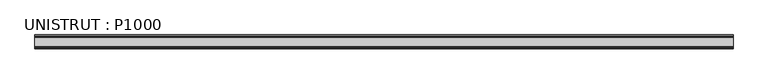
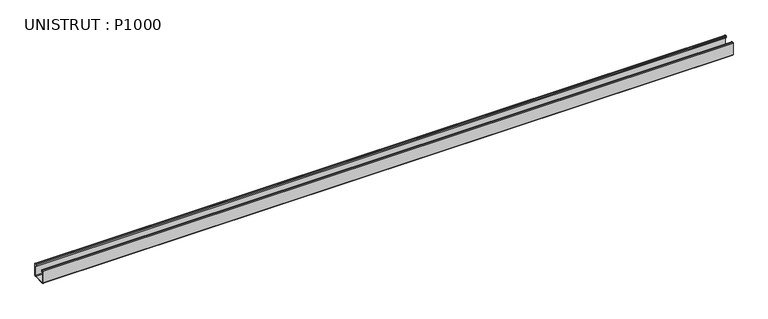
"""IFC4 building model written with IfcOpenShell, lengths in millimetres: beam geometry, UNISTRUT : P1000."""

from ifc_helpers import new_model, si_unit, point, frame, frame_2d, origin, place, context, project, spatial, polyline, circle_curve, trimmed, segment, composite_curve, outline, extrude, source, transform, mapped, element, save


def unistrut_p1000_d309cebc(model_context):
    return source(origin(), model_context, "Body", "SweptSolid", [
        extrude(outline(composite_curve([segment(trimmed(circle_curve(frame_2d((17.4273239, -17.4273239)), 3.2101761), [point((20.6375, -17.4273239))], [point((17.4273239, -20.6375))], False, "CARTESIAN"), True, "CONTINUOUS"), segment(polyline([(17.4273239, -20.6375), (-17.4655346, -20.6375)]), True, "CONTINUOUS"), segment(trimmed(circle_curve(frame_2d((-17.4655346, -17.4655346)), 3.1719654), [point((-17.4655346, -20.6375))], [point((-20.6375, -17.4655346))], False, "CARTESIAN"), True, "CONTINUOUS"), segment(polyline([(-20.6375, -17.4655346), (-20.6375, 18.653125)]), True, "CONTINUOUS"), segment(trimmed(circle_curve(frame_2d((-18.653125, 18.653125)), 1.984375), [point((-20.6375, 18.653125))], [point((-18.653125, 20.6375))], False, "CARTESIAN"), True, "CONTINUOUS"), segment(polyline([(-18.653125, 20.6375), (-16.2236081, 20.6375)]), True, "CONTINUOUS"), segment(trimmed(circle_curve(frame_2d((-16.2236081, 18.7013919)), 1.9361081), [point((-16.2236081, 20.6375))], [point((-14.2875, 18.7013919))], False, "CARTESIAN"), True, "CONTINUOUS"), segment(polyline([(-14.2875, 18.7013919), (-14.2875, 14.7193), (-15.1804688, 14.7193), (-15.1804688, 18.7013919)]), True, "CONTINUOUS"), segment(trimmed(circle_curve(frame_2d((-16.2236081, 18.7013919)), 1.0431394), [point((-15.1804688, 18.7013919))], [point((-16.2236081, 19.7445312))], True, "CARTESIAN"), True, "CONTINUOUS"), segment(polyline([(-16.2236081, 19.7445312), (-18.653125, 19.7445312)]), True, "CONTINUOUS"), segment(trimmed(circle_curve(frame_2d((-18.653125, 18.653125)), 1.0914063), [point((-18.653125, 19.7445312))], [point((-19.7445313, 18.653125))], True, "CARTESIAN"), True, "CONTINUOUS"), segment(polyline([(-19.7445313, 18.653125), (-19.7445313, -17.4655346)]), True, "CONTINUOUS"), segment(trimmed(circle_curve(frame_2d((-17.4655346, -17.4655346)), 2.2789966), [point((-19.7445313, -17.4655346))], [point((-17.4655346, -19.7445312))], True, "CARTESIAN"), True, "CONTINUOUS"), segment(polyline([(-17.4655346, -19.7445312), (17.4273239, -19.7445313)]), True, "CONTINUOUS"), segment(trimmed(circle_curve(frame_2d((17.4273239, -17.4273239)), 2.3172074), [point((17.4273239, -19.7445313))], [point((19.7445312, -17.4273239))], True, "CARTESIAN"), True, "CONTINUOUS"), segment(polyline([(19.7445312, -17.4273239), (19.7445312, 18.6242894)]), True, "CONTINUOUS"), segment(trimmed(circle_curve(frame_2d((18.6242894, 18.6242894)), 1.1202418), [point((19.7445312, 18.6242894))], [point((18.6242894, 19.7445312))], True, "CARTESIAN"), True, "CONTINUOUS"), segment(polyline([(18.6242894, 19.7445312), (16.271875, 19.7445312)]), True, "CONTINUOUS"), segment(trimmed(circle_curve(frame_2d((16.271875, 18.653125)), 1.0914062), [point((16.271875, 19.7445312))], [point((15.1804687, 18.653125))], True, "CARTESIAN"), True, "CONTINUOUS"), segment(polyline([(15.1804687, 18.653125), (15.1804687, 14.7193), (14.2875, 14.7193), (14.2875, 18.653125)]), True, "CONTINUOUS"), segment(trimmed(circle_curve(frame_2d((16.271875, 18.653125)), 1.984375), [point((14.2875, 18.653125))], [point((16.271875, 20.6375))], False, "CARTESIAN"), True, "CONTINUOUS"), segment(polyline([(16.271875, 20.6375), (18.6242894, 20.6375)]), True, "CONTINUOUS"), segment(trimmed(circle_curve(frame_2d((18.6242894, 18.6242894)), 2.0132106), [point((18.6242894, 20.6375))], [point((20.6375, 18.6242894))], False, "CARTESIAN"), True, "CONTINUOUS"), segment(polyline([(20.6375, 18.6242894), (20.6375, -17.4273239)]), True, "CONTINUOUS")], self_intersect=False)), frame((-1073.7947154, 0.0, 0.0), z_axis=(1.0, 0.0, 0.0), x_axis=(0.0, 1.0, 0.0)), (0.0, 0.0, 1.0), 2096.2829183),
    ])


if __name__ == "__main__":
    model = new_model("IFC4")
    model_context = context("Model", 3, world=origin())
    ifc_project = project(units=[si_unit("LENGTHUNIT", "METRE", prefix="MILLI")], contexts=[model_context])
    site = spatial("IfcSite", under=ifc_project)
    building = spatial("IfcBuilding", under=site)
    placement = place(None, origin())
    unistrut_p1000_shape = unistrut_p1000_d309cebc(model_context)
    element("IfcBeam", 1, ObjectType="UNISTRUT : P1000", at=placement, inside=building, context=model_context, shape_type="MappedRepresentation", body=[
        mapped(unistrut_p1000_shape, transform((0.0, 0.0, 0.0), x_axis=(1.0, 0.0, 0.0), y_axis=(0.0, 1.0, 0.0), z_axis=(0.0, 0.0, 1.0))),
    ])
    save(model, "model.ifc")
